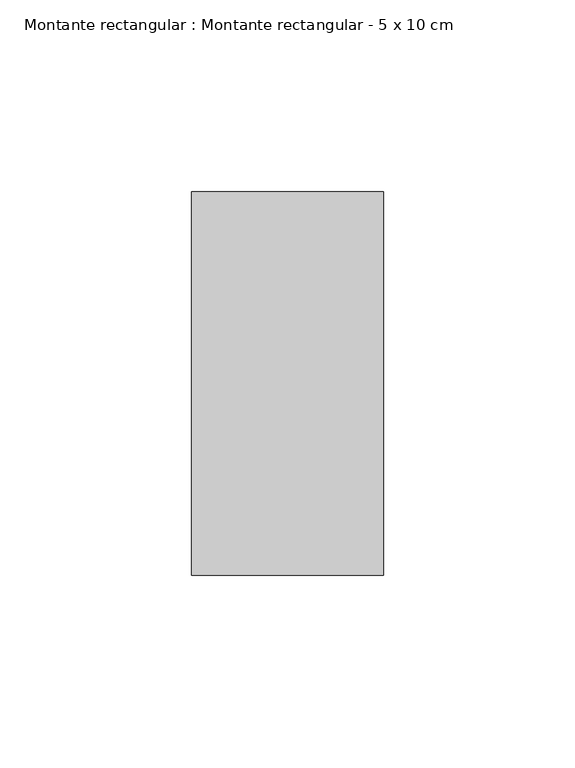
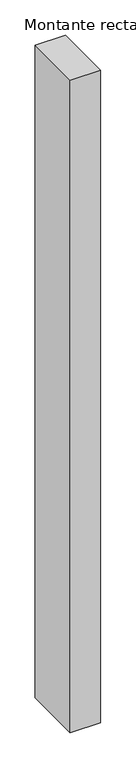
"""IFC4 building model written with IfcOpenShell, lengths in millimetres: member geometry, Montante rectangular : Montante rectangular - 5 x 10 cm."""

import ifcopenshell
import ifcopenshell.guid

model = None  # the IFC model being written
_history = None  # IfcOwnerHistory: only IFC2X3 demands one
_inside = {}  # id of a spatial element -> (the spatial element, [elements in it])
_under = {}  # id of a project, library or spatial element -> (it, [spatial elements below it])
_declared = {}  # id of a project -> (the project, [libraries it declares])
_typed = {}  # id of a type object -> (the type object, [elements of that type])
_made_of = {}  # id of a material, layer set ... -> (it, [elements and type objects made of it])


def new_model(schema):
    """Start an empty IFC model of exactly this schema.

    Asked for "IFC4X3", IfcOpenShell would pick the latest addendum, in which some entities
    have other attributes; the version numbers below select the first issue.
    IFC2X3 requires an IfcOwnerHistory on every rooted entity: one is made here for all.
    """
    global model, _history
    if schema == "IFC4X3":
        model = ifcopenshell.file(schema_version=(4, 3, 0, 0))
    else:
        model = ifcopenshell.file(schema=schema)
    _inside.clear()
    _under.clear()
    _declared.clear()
    _typed.clear()
    _made_of.clear()
    _history = None
    if model.schema == "IFC2X3":
        org = make("IfcOrganization", Name="unknown")
        user = make(
            "IfcPersonAndOrganization",
            ThePerson=make("IfcPerson", FamilyName="unknown"),
            TheOrganization=org,
        )
        app = make(
            "IfcApplication",
            ApplicationDeveloper=org,
            Version="unknown",
            ApplicationFullName="unknown",
            ApplicationIdentifier="unknown",
        )
        _history = make(
            "IfcOwnerHistory",
            OwningUser=user,
            OwningApplication=app,
            ChangeAction="ADDED",
            CreationDate=0,
        )
    return model


def make(cls, **values):
    """One entity of the class cls with the attributes given. An attribute that is None is left unset."""
    return model.create_entity(
        cls, **{name: value for name, value in values.items() if value is not None}
    )


def rooted(cls, **values):
    """An entity with a GlobalId (a new one), such as an element, a storey or a relation."""
    return make(cls, GlobalId=ifcopenshell.guid.new(), OwnerHistory=_history, **values)


def si_unit(unit_type, name, prefix=None):
    """IfcSIUnit, for example si_unit("LENGTHUNIT", "METRE", prefix="MILLI")."""
    return make("IfcSIUnit", UnitType=unit_type, Prefix=prefix, Name=name)


def assignment(units):
    """IfcUnitAssignment: the units of a project."""
    return None if units is None else make("IfcUnitAssignment", Units=units)


def point(xyz):
    """IfcCartesianPoint."""
    return None if xyz is None else make("IfcCartesianPoint", Coordinates=xyz)


def direction(xyz):
    """IfcDirection."""
    return None if xyz is None else make("IfcDirection", DirectionRatios=xyz)


def frame(location, z_axis=None, x_axis=None):
    """IfcAxis2Placement3D, a coordinate frame: its origin and axes. An axis left out is left unset."""
    return make(
        "IfcAxis2Placement3D",
        Location=point(location),
        Axis=direction(z_axis),
        RefDirection=direction(x_axis),
    )


def origin():
    """The frame at (0, 0, 0) with its axes left unset."""
    return frame((0.0, 0.0, 0.0))


def place(relative_to, where):
    """IfcLocalPlacement: puts the frame where relative to a parent placement (None: the world)."""
    return make(
        "IfcLocalPlacement", PlacementRelTo=relative_to, RelativePlacement=where
    )


def context(
    kind, dimensions, precision=None, world=None, true_north=None, identifier=None
):
    """IfcGeometricRepresentationContext, for example the 3D "Model" context."""
    return make(
        "IfcGeometricRepresentationContext",
        ContextIdentifier=identifier,
        ContextType=kind,
        CoordinateSpaceDimension=dimensions,
        Precision=precision,
        WorldCoordinateSystem=world,
        TrueNorth=true_north,
    )


def project(units=None, contexts=None):
    """IfcProject with its units and contexts."""
    return rooted(
        "IfcProject",
        Name="project",
        RepresentationContexts=contexts,
        UnitsInContext=assignment(units),
    )


def spatial(cls, under=None, at=None, **own):
    """A site, building, storey or space (cls), placed at a placement, below another one or the project."""
    s = rooted(cls, ObjectPlacement=at, **own)
    if under is not None:
        _under.setdefault(under.id(), (under, []))[1].append(s)
    return s


def polyline(points):
    """IfcPolyline through the points."""
    return make("IfcPolyline", Points=[point(p) for p in points])


def outline(outer, holes=None, kind="AREA"):
    """IfcArbitraryClosedProfileDef: a profile drawn as a closed curve; with holes, ...WithVoids."""
    if holes is None:
        return make("IfcArbitraryClosedProfileDef", ProfileType=kind, OuterCurve=outer)
    return make(
        "IfcArbitraryProfileDefWithVoids",
        ProfileType=kind,
        OuterCurve=outer,
        InnerCurves=holes,
    )


def extrude(swept, where, along, depth):
    """IfcExtrudedAreaSolid: the profile swept, set in the frame where, extruded along a direction by depth."""
    return make(
        "IfcExtrudedAreaSolid",
        SweptArea=swept,
        Position=where,
        ExtrudedDirection=direction(along),
        Depth=depth,
    )


def shape(context_of_items, identifier, shape_type, items):
    """IfcShapeRepresentation: the items that make up one representation, for example the "Body"."""
    return make(
        "IfcShapeRepresentation",
        ContextOfItems=context_of_items,
        RepresentationIdentifier=identifier,
        RepresentationType=shape_type,
        Items=items,
    )


def source(mapping_origin, context_of_items, identifier, shape_type, items):
    """IfcRepresentationMap: a shape defined once, which mapped items show again and again."""
    return make(
        "IfcRepresentationMap",
        MappingOrigin=mapping_origin,
        MappedRepresentation=shape(context_of_items, identifier, shape_type, items),
    )


def transform(
    local_origin,
    x_axis=None,
    y_axis=None,
    z_axis=None,
    scale=None,
    scale2=None,
    scale3=None,
    uniform=True,
):
    """IfcCartesianTransformationOperator3D, or its non-uniform kind. x_axis, y_axis, z_axis: its Axis1, 2, 3."""
    if uniform:
        return make(
            "IfcCartesianTransformationOperator3D",
            Axis1=direction(x_axis),
            Axis2=direction(y_axis),
            LocalOrigin=point(local_origin),
            Scale=scale,
            Axis3=direction(z_axis),
        )
    return make(
        "IfcCartesianTransformationOperator3DnonUniform",
        Axis1=direction(x_axis),
        Axis2=direction(y_axis),
        LocalOrigin=point(local_origin),
        Scale=scale,
        Axis3=direction(z_axis),
        Scale2=scale2,
        Scale3=scale3,
    )


def mapped(mapping_source, mapping_target):
    """IfcMappedItem: shows the shape of a source again, moved by a transform."""
    return make(
        "IfcMappedItem", MappingSource=mapping_source, MappingTarget=mapping_target
    )


def made_of(thing, what):
    """Note that an element or type object is made of a material, layer set ...; save() writes the relation."""
    if what is not None:
        _made_of.setdefault(what.id(), (what, []))[1].append(thing)
    return thing


def element(
    cls,
    number,
    at=None,
    inside=None,
    cuts=None,
    type_object=None,
    material=None,
    context=None,
    identifier="Body",
    shape_type=None,
    held_by="IfcProductDefinitionShape",
    body=None,
    shapes=None,
    **own,
):
    """One element of the class cls, such as IfcWall. Its Tag is "e" and its number.

    at: its placement. inside: the storey or other place that contains it. cuts: it is an
    opening in that element (IfcRelVoidsElement). A single representation is given by context,
    identifier, shape_type and body (its items); several are given by shapes. held_by: the class
    of the entity that holds the representations. save() writes the other relations.
    """
    e = rooted(cls, Tag="e%d" % number, ObjectPlacement=at, **own)
    if body is not None:
        shapes = [shape(context, identifier, shape_type, body)]
    if shapes is not None:
        e.Representation = make(held_by, Representations=shapes)
    if inside is not None:
        _inside.setdefault(inside.id(), (inside, []))[1].append(e)
    if cuts is not None:
        rooted(
            "IfcRelVoidsElement", RelatingBuildingElement=cuts, RelatedOpeningElement=e
        )
    if type_object is not None:
        _typed.setdefault(type_object.id(), (type_object, []))[1].append(e)
    return made_of(e, material)


def aggregate(whole, parts):
    """IfcRelAggregates: a whole, such as a stair, and the parts it consists of."""
    return rooted("IfcRelAggregates", RelatingObject=whole, RelatedObjects=parts)


def save(model, path):
    """Write the relations noted so far, then the file.

    IfcRelAggregates (storeys below a building ...), IfcRelContainedInSpatialStructure (elements
    in a storey), IfcRelDefinesByType, IfcRelAssociatesMaterial and IfcRelDeclares: one each for
    every whole, place, type object, material and project.
    """
    for whole, parts in _under.values():
        aggregate(whole, parts)
    for where, things in _inside.values():
        rooted(
            "IfcRelContainedInSpatialStructure",
            RelatedElements=things,
            RelatingStructure=where,
        )
    for kind, things in _typed.values():
        rooted("IfcRelDefinesByType", RelatedObjects=things, RelatingType=kind)
    for what, things in _made_of.values():
        rooted("IfcRelAssociatesMaterial", RelatedObjects=things, RelatingMaterial=what)
    for by, libraries in _declared.values():
        rooted("IfcRelDeclares", RelatingContext=by, RelatedDefinitions=libraries)
    model.write(path)


def montante_rectangular_montante_rectangular_5_x_10_cm_506e927f(model_context):
    return source(origin(), model_context, "Body", "SweptSolid", [
        extrude(outline(polyline([(0.0, 50.0), (0.0, -50.0), (-50.0, -50.0), (-50.0, 50.0), (0.0, 50.0)])), frame((0.0, 0.0, -1130.6768161), z_axis=(0.0, 0.0, 1.0), x_axis=(1.0, 0.0, 0.0)), (0.0, 0.0, 1.0), 1130.6768161),
    ])


if __name__ == "__main__":
    model = new_model("IFC4")
    model_context = context("Model", 3, world=origin())
    ifc_project = project(units=[si_unit("LENGTHUNIT", "METRE", prefix="MILLI")], contexts=[model_context])
    site = spatial("IfcSite", under=ifc_project)
    building = spatial("IfcBuilding", under=site)
    placement = place(None, origin())
    montante_rectangular_montante_rectangular_5_x_10_cm_shape = montante_rectangular_montante_rectangular_5_x_10_cm_506e927f(model_context)
    element("IfcMember", 1, ObjectType="Montante rectangular : Montante rectangular - 5 x 10 cm", at=placement, inside=building, context=model_context, shape_type="MappedRepresentation", body=[
        mapped(montante_rectangular_montante_rectangular_5_x_10_cm_shape, transform((0.0, 0.0, 0.0), x_axis=(1.0, 0.0, 0.0), y_axis=(0.0, 1.0, 0.0), z_axis=(0.0, 0.0, 1.0))),
    ])
    save(model, "model.ifc")
